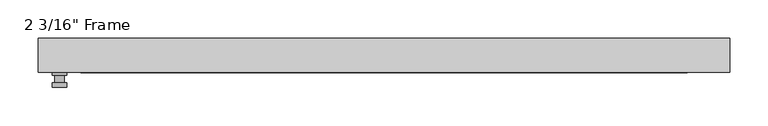
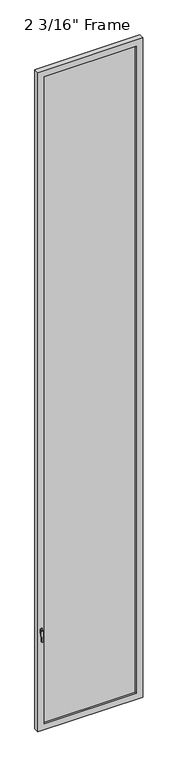
"""IFC4 building model written with IfcOpenShell, lengths in millimetres: plate geometry."""

from ifc_helpers import new_model, si_unit, frame, origin, place, context, project, spatial, polyline, circle_curve, outline, extrude, faceted_brep, source, transform, mapped, element, save
from ifc_brep_helpers import plane_surface, cylinder_surface, advanced_brep


def plate_cfaeb40a(model_context):
    return source(origin(), model_context, "Body", "SolidModel", [
        advanced_brep(
        [(-415.13125, -22.225, 927.1), (-415.13125, -22.225, 901.7), (-434.18125, -22.225, 901.7), (-434.18125, -22.225, 927.1), (-418.30625, -34.925, 914.4), (-431.00625, -34.925, 914.4), (-431.00625, -25.4, 914.4), (-418.30625, -25.4, 914.4), (-415.13125, -34.925, 914.4), (-418.3102856, -34.925, 825.2736467), (-431.0022144, -34.925, 825.2736467), (-434.18125, -34.925, 914.4), (-415.13125, -41.275, 914.4), (-434.18125, -41.275, 914.4), (-431.0022144, -41.275, 825.2736467), (-418.3102856, -41.275, 825.2736467), (-415.13125, -25.4, 927.1), (-434.18125, -25.4, 927.1), (-434.18125, -25.4, 901.7), (-415.13125, -25.4, 901.7)],
        [
            (0, 1),
            (1, 2, circle_curve(frame((-424.65625, -22.225, 901.7), z_axis=(0.0, 1.0, 0.0), x_axis=(-1.0, 0.0, 0.0)), 9.525)),
            (2, 3),
            (3, 0, circle_curve(frame((-424.65625, -22.225, 927.1), z_axis=(0.0, 1.0, 0.0), x_axis=(-1.0, 0.0, 0.0)), 9.525)),
            (4, 5, circle_curve(frame((-424.65625, -34.925, 914.4), z_axis=(0.0, 1.0, 0.0), x_axis=(-1.0, 0.0, 0.0)), 6.35)),
            (5, 6),
            (6, 7, circle_curve(frame((-424.65625, -25.4, 914.4), z_axis=(0.0, -1.0, 0.0), x_axis=(-1.0, 0.0, 0.0)), 6.35)),
            (7, 4),
            (5, 4, circle_curve(frame((-424.65625, -34.925, 914.4), z_axis=(0.0, 1.0, 0.0), x_axis=(-1.0, 0.0, 0.0)), 6.35)),
            (7, 6, circle_curve(frame((-424.65625, -25.4, 914.4), z_axis=(0.0, -1.0, 0.0), x_axis=(-1.0, 0.0, 0.0)), 6.35)),
            (8, 9),
            (9, 10, circle_curve(frame((-424.65625, -34.925, 825.5), z_axis=(0.0, 1.0, 0.0), x_axis=(-1.0, 0.0, 0.0)), 6.35)),
            (10, 11),
            (11, 8, circle_curve(frame((-424.65625, -34.925, 914.4), z_axis=(0.0, 1.0, 0.0), x_axis=(-1.0, 0.0, 0.0)), 9.525)),
            (12, 13, circle_curve(frame((-424.65625, -41.275, 914.4), z_axis=(0.0, -1.0, 0.0), x_axis=(-1.0, 0.0, 0.0)), 9.525)),
            (13, 14),
            (14, 15, circle_curve(frame((-424.65625, -41.275, 825.5), z_axis=(0.0, -1.0, 0.0), x_axis=(-1.0, 0.0, 0.0)), 6.35)),
            (15, 12),
            (8, 12),
            (15, 9),
            (14, 10),
            (13, 11),
            (16, 17, circle_curve(frame((-424.65625, -25.4, 927.1), z_axis=(0.0, -1.0, 0.0), x_axis=(-1.0, 0.0, 0.0)), 9.525)),
            (17, 18),
            (18, 19, circle_curve(frame((-424.65625, -25.4, 901.7), z_axis=(0.0, -1.0, 0.0), x_axis=(-1.0, 0.0, 0.0)), 9.525)),
            (19, 16),
            (0, 16),
            (19, 1),
            (18, 2),
            (17, 3),
        ],
        [
            plane_surface(frame((-431.00625, -22.225, 914.4), z_axis=(0.0, 1.0, 0.0), x_axis=(0.0, 0.0, 1.0))),
            cylinder_surface(frame((-424.65625, -34.925, 914.4), z_axis=(0.0, 1.0, 0.0), x_axis=(-1.0, 0.0, 0.0)), 6.35),
            plane_surface(frame((-415.13125, -34.925, 914.4), z_axis=(0.0, 1.0000000000000002, 0.0), x_axis=(-0.03564619348186888, 0.0, -0.9993644724975235))),
            plane_surface(frame((-415.13125, -41.275, 914.4), z_axis=(0.0, -1.0000000000000002, 0.0), x_axis=(0.03564619348186888, 0.0, 0.9993644724975235))),
            plane_surface(frame((-415.13125, -34.925, 914.4), z_axis=(0.9993644724975235, 0.0, -0.03564619348186888), x_axis=(0.0, -1.0, 0.0))),
            cylinder_surface(frame((-424.65625, -41.275, 825.5), z_axis=(0.0, 1.0, 0.0), x_axis=(-1.0, 0.0, 0.0)), 6.35),
            plane_surface(frame((-431.0022144, -34.925, 825.2736467), z_axis=(-0.9993644724975228, 0.0, -0.03564619348188612), x_axis=(0.0, -1.0, 0.0))),
            cylinder_surface(frame((-424.65625, -41.275, 914.4), z_axis=(0.0, 1.0, 0.0), x_axis=(-1.0, 0.0, 0.0)), 9.525),
            plane_surface(frame((-415.13125, -25.4, 901.7), z_axis=(0.0, -1.0, 0.0), x_axis=(0.0, 0.0, 1.0))),
            plane_surface(frame((-415.13125, -22.225, 927.1), z_axis=(1.0, 0.0, 0.0), x_axis=(0.0, -1.0, 0.0))),
            cylinder_surface(frame((-424.65625, -25.4, 901.7), z_axis=(0.0, 1.0, 0.0), x_axis=(-1.0, 0.0, 0.0)), 9.525),
            plane_surface(frame((-434.18125, -22.225, 901.7), z_axis=(-1.0, 0.0, 0.0), x_axis=(0.0, -1.0, 0.0))),
            cylinder_surface(frame((-424.65625, -25.4, 927.1), z_axis=(0.0, 1.0, 0.0), x_axis=(-1.0, 0.0, 0.0)), 9.525),
        ],
        [
            (0, [[1, 2, 3, 4]]),
            (1, [[5, 6, 7, 8]]),
            (1, [[9, -8, 10, -6]]),
            (2, [[11, 12, 13, 14], [-5, -9]]),
            (3, [[15, 16, 17, 18]]),
            (4, [[-11, 19, -18, 20]]),
            (5, [[-12, -20, -17, 21]]),
            (6, [[-13, -21, -16, 22]]),
            (7, [[-14, -22, -15, -19]]),
            (8, [[23, 24, 25, 26], [-7, -10]]),
            (9, [[-1, 27, -26, 28]]),
            (10, [[-2, -28, -25, 29]]),
            (11, [[-3, -29, -24, 30]]),
            (12, [[-4, -30, -23, -27]]),
        ],
    ),
        faceted_brep([(-452.4375, -22.225, 0.0), (-452.4375, 22.225, 0.0), (452.4375, 22.225, 0.0), (452.4375, -22.225, 0.0), (-396.875, 22.225, 5964.2375), (-396.875, 15.875, 5964.2375), (-396.875, 15.875, 55.5625), (-396.875, 22.225, 55.5625), (409.575, 15.875, 5976.9375), (-409.575, 15.875, 5976.9375), (-409.575, 15.875, 42.8625), (409.575, 15.875, 42.8625), (396.875, 15.875, 5964.2375), (396.875, 15.875, 55.5625), (-409.575, -7.9375, 5976.9375), (-409.575, -7.9375, 42.8625), (409.575, -7.9375, 5976.9375), (409.575, -7.9375, 42.8625), (-396.875, -7.9375, 5964.2375), (-396.875, -7.9375, 55.5625), (396.875, -7.9375, 55.5625), (396.875, -7.9375, 5964.2375), (-396.875, -22.225, 5964.2375), (-396.875, -22.225, 55.5625), (452.4375, -22.225, 6019.8), (-452.4375, -22.225, 6019.8), (396.875, -22.225, 5964.2375), (396.875, -22.225, 55.5625), (-452.4375, 22.225, 6019.8), (452.4375, 22.225, 6019.8), (396.875, 22.225, 55.5625), (396.875, 22.225, 5964.2375)], [[[0, 1, 2, 3]], [[4, 5, 6, 7]], [[8, 9, 10, 11], [5, 12, 13, 6]], [[10, 9, 14, 15]], [[14, 16, 17, 15], [18, 19, 20, 21]], [[18, 22, 23, 19]], [[0, 3, 24, 25], [22, 26, 27, 23]], [[1, 0, 25, 28]], [[2, 1, 28, 29], [4, 7, 30, 31]], [[5, 4, 31, 12]], [[9, 8, 16, 14]], [[18, 21, 26, 22]], [[25, 24, 29, 28]], [[12, 31, 30, 13]], [[17, 16, 8, 11]], [[26, 21, 20, 27]], [[24, 3, 2, 29]], [[23, 27, 20, 19]], [[11, 10, 15, 17]], [[6, 13, 30, 7]]]),
        extrude(outline(polyline([(409.575, -7.9375), (-409.575, -7.9375), (-409.575, 15.875), (409.575, 15.875), (409.575, -7.9375)])), frame((0.0, 0.0, 42.8625), z_axis=(0.0, 0.0, 1.0), x_axis=(1.0, 0.0, 0.0)), (0.0, 0.0, 1.0), 5934.075),
    ])


if __name__ == "__main__":
    model = new_model("IFC4")
    model_context = context("Model", 3, world=origin())
    ifc_project = project(units=[si_unit("LENGTHUNIT", "METRE", prefix="MILLI")], contexts=[model_context])
    site = spatial("IfcSite", under=ifc_project)
    building = spatial("IfcBuilding", under=site)
    placement = place(None, origin())
    plate_shape = plate_cfaeb40a(model_context)
    element("IfcPlate", 1, ObjectType="2 3/16\" Frame", at=placement, inside=building, context=model_context, shape_type="MappedRepresentation", body=[
        mapped(plate_shape, transform((0.0, 0.0, 0.0), x_axis=(1.0, 0.0, 0.0), y_axis=(0.0, 1.0, 0.0), z_axis=(0.0, 0.0, 1.0))),
    ])
    save(model, "model.ifc")
